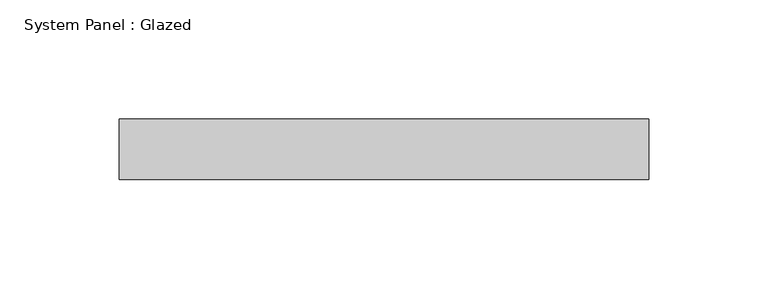
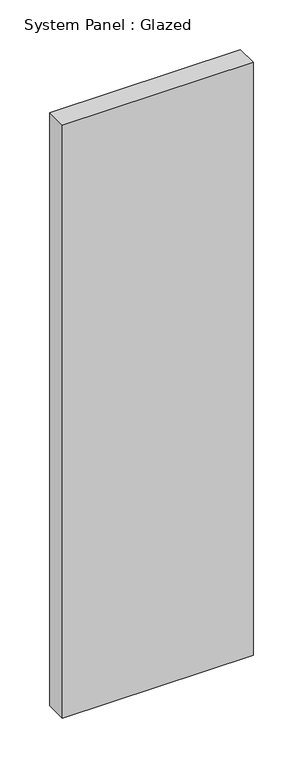
"""IFC4 building model written with IfcOpenShell, lengths in millimetres: plate geometry, System Panel : Glazed."""

from ifc_helpers import new_model, si_unit, origin, origin_with_axes, place, context, project, spatial, polyline, outline, extrude, source, transform, mapped, element, save


def system_panel_glazed_831893c2(model_context):
    return source(origin(), model_context, "Body", "SweptSolid", [
        extrude(outline(polyline([(111.125, -12.7), (-111.125, -12.7), (-111.125, 12.7), (111.125, 12.7), (111.125, -12.7)])), origin_with_axes(), (0.0, 0.0, 1.0), 730.25),
    ])


if __name__ == "__main__":
    model = new_model("IFC4")
    model_context = context("Model", 3, world=origin())
    ifc_project = project(units=[si_unit("LENGTHUNIT", "METRE", prefix="MILLI")], contexts=[model_context])
    site = spatial("IfcSite", under=ifc_project)
    building = spatial("IfcBuilding", under=site)
    placement = place(None, origin())
    system_panel_glazed_shape = system_panel_glazed_831893c2(model_context)
    element("IfcPlate", 1, ObjectType="System Panel : Glazed", at=placement, inside=building, context=model_context, shape_type="MappedRepresentation", body=[
        mapped(system_panel_glazed_shape, transform((0.0, 0.0, 0.0), x_axis=(1.0, 0.0, 0.0), y_axis=(0.0, 1.0, 0.0), z_axis=(0.0, 0.0, 1.0))),
    ])
    save(model, "model.ifc")
